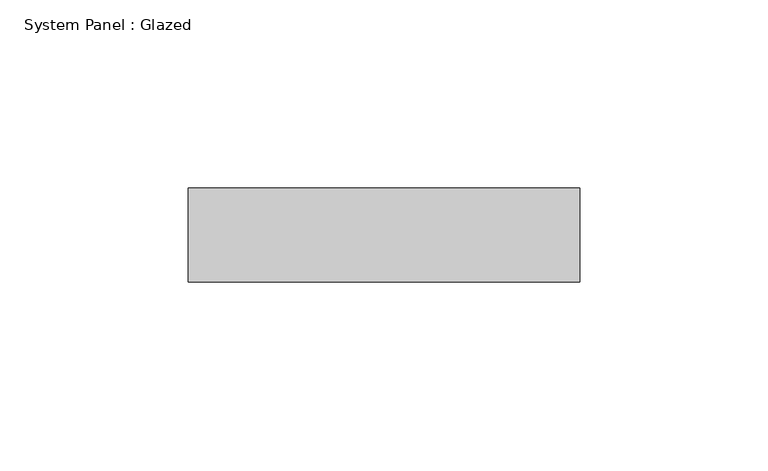
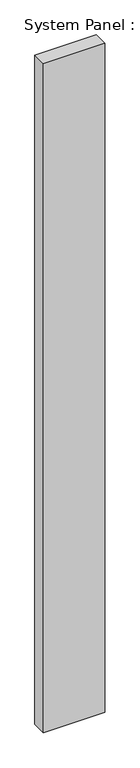
"""IFC4 building model written with IfcOpenShell, lengths in millimetres: plate geometry, System Panel : Glazed."""

import ifcopenshell
import ifcopenshell.guid

model = None  # the IFC model being written
_history = None  # IfcOwnerHistory: only IFC2X3 demands one
_inside = {}  # id of a spatial element -> (the spatial element, [elements in it])
_under = {}  # id of a project, library or spatial element -> (it, [spatial elements below it])
_declared = {}  # id of a project -> (the project, [libraries it declares])
_typed = {}  # id of a type object -> (the type object, [elements of that type])
_made_of = {}  # id of a material, layer set ... -> (it, [elements and type objects made of it])


def new_model(schema):
    """Start an empty IFC model of exactly this schema.

    Asked for "IFC4X3", IfcOpenShell would pick the latest addendum, in which some entities
    have other attributes; the version numbers below select the first issue.
    IFC2X3 requires an IfcOwnerHistory on every rooted entity: one is made here for all.
    """
    global model, _history
    if schema == "IFC4X3":
        model = ifcopenshell.file(schema_version=(4, 3, 0, 0))
    else:
        model = ifcopenshell.file(schema=schema)
    _inside.clear()
    _under.clear()
    _declared.clear()
    _typed.clear()
    _made_of.clear()
    _history = None
    if model.schema == "IFC2X3":
        org = make("IfcOrganization", Name="unknown")
        user = make(
            "IfcPersonAndOrganization",
            ThePerson=make("IfcPerson", FamilyName="unknown"),
            TheOrganization=org,
        )
        app = make(
            "IfcApplication",
            ApplicationDeveloper=org,
            Version="unknown",
            ApplicationFullName="unknown",
            ApplicationIdentifier="unknown",
        )
        _history = make(
            "IfcOwnerHistory",
            OwningUser=user,
            OwningApplication=app,
            ChangeAction="ADDED",
            CreationDate=0,
        )
    return model


def make(cls, **values):
    """One entity of the class cls with the attributes given. An attribute that is None is left unset."""
    return model.create_entity(
        cls, **{name: value for name, value in values.items() if value is not None}
    )


def rooted(cls, **values):
    """An entity with a GlobalId (a new one), such as an element, a storey or a relation."""
    return make(cls, GlobalId=ifcopenshell.guid.new(), OwnerHistory=_history, **values)


def si_unit(unit_type, name, prefix=None):
    """IfcSIUnit, for example si_unit("LENGTHUNIT", "METRE", prefix="MILLI")."""
    return make("IfcSIUnit", UnitType=unit_type, Prefix=prefix, Name=name)


def assignment(units):
    """IfcUnitAssignment: the units of a project."""
    return None if units is None else make("IfcUnitAssignment", Units=units)


def point(xyz):
    """IfcCartesianPoint."""
    return None if xyz is None else make("IfcCartesianPoint", Coordinates=xyz)


def direction(xyz):
    """IfcDirection."""
    return None if xyz is None else make("IfcDirection", DirectionRatios=xyz)


def frame(location, z_axis=None, x_axis=None):
    """IfcAxis2Placement3D, a coordinate frame: its origin and axes. An axis left out is left unset."""
    return make(
        "IfcAxis2Placement3D",
        Location=point(location),
        Axis=direction(z_axis),
        RefDirection=direction(x_axis),
    )


def origin():
    """The frame at (0, 0, 0) with its axes left unset."""
    return frame((0.0, 0.0, 0.0))


def origin_with_axes():
    """The frame at (0, 0, 0) with the z axis (0, 0, 1) and the x axis (1, 0, 0) written out."""
    return frame((0.0, 0.0, 0.0), z_axis=(0.0, 0.0, 1.0), x_axis=(1.0, 0.0, 0.0))


def place(relative_to, where):
    """IfcLocalPlacement: puts the frame where relative to a parent placement (None: the world)."""
    return make(
        "IfcLocalPlacement", PlacementRelTo=relative_to, RelativePlacement=where
    )


def context(
    kind, dimensions, precision=None, world=None, true_north=None, identifier=None
):
    """IfcGeometricRepresentationContext, for example the 3D "Model" context."""
    return make(
        "IfcGeometricRepresentationContext",
        ContextIdentifier=identifier,
        ContextType=kind,
        CoordinateSpaceDimension=dimensions,
        Precision=precision,
        WorldCoordinateSystem=world,
        TrueNorth=true_north,
    )


def project(units=None, contexts=None):
    """IfcProject with its units and contexts."""
    return rooted(
        "IfcProject",
        Name="project",
        RepresentationContexts=contexts,
        UnitsInContext=assignment(units),
    )


def spatial(cls, under=None, at=None, **own):
    """A site, building, storey or space (cls), placed at a placement, below another one or the project."""
    s = rooted(cls, ObjectPlacement=at, **own)
    if under is not None:
        _under.setdefault(under.id(), (under, []))[1].append(s)
    return s


def polyline(points):
    """IfcPolyline through the points."""
    return make("IfcPolyline", Points=[point(p) for p in points])


def outline(outer, holes=None, kind="AREA"):
    """IfcArbitraryClosedProfileDef: a profile drawn as a closed curve; with holes, ...WithVoids."""
    if holes is None:
        return make("IfcArbitraryClosedProfileDef", ProfileType=kind, OuterCurve=outer)
    return make(
        "IfcArbitraryProfileDefWithVoids",
        ProfileType=kind,
        OuterCurve=outer,
        InnerCurves=holes,
    )


def extrude(swept, where, along, depth):
    """IfcExtrudedAreaSolid: the profile swept, set in the frame where, extruded along a direction by depth."""
    return make(
        "IfcExtrudedAreaSolid",
        SweptArea=swept,
        Position=where,
        ExtrudedDirection=direction(along),
        Depth=depth,
    )


def shape(context_of_items, identifier, shape_type, items):
    """IfcShapeRepresentation: the items that make up one representation, for example the "Body"."""
    return make(
        "IfcShapeRepresentation",
        ContextOfItems=context_of_items,
        RepresentationIdentifier=identifier,
        RepresentationType=shape_type,
        Items=items,
    )


def source(mapping_origin, context_of_items, identifier, shape_type, items):
    """IfcRepresentationMap: a shape defined once, which mapped items show again and again."""
    return make(
        "IfcRepresentationMap",
        MappingOrigin=mapping_origin,
        MappedRepresentation=shape(context_of_items, identifier, shape_type, items),
    )


def transform(
    local_origin,
    x_axis=None,
    y_axis=None,
    z_axis=None,
    scale=None,
    scale2=None,
    scale3=None,
    uniform=True,
):
    """IfcCartesianTransformationOperator3D, or its non-uniform kind. x_axis, y_axis, z_axis: its Axis1, 2, 3."""
    if uniform:
        return make(
            "IfcCartesianTransformationOperator3D",
            Axis1=direction(x_axis),
            Axis2=direction(y_axis),
            LocalOrigin=point(local_origin),
            Scale=scale,
            Axis3=direction(z_axis),
        )
    return make(
        "IfcCartesianTransformationOperator3DnonUniform",
        Axis1=direction(x_axis),
        Axis2=direction(y_axis),
        LocalOrigin=point(local_origin),
        Scale=scale,
        Axis3=direction(z_axis),
        Scale2=scale2,
        Scale3=scale3,
    )


def mapped(mapping_source, mapping_target):
    """IfcMappedItem: shows the shape of a source again, moved by a transform."""
    return make(
        "IfcMappedItem", MappingSource=mapping_source, MappingTarget=mapping_target
    )


def made_of(thing, what):
    """Note that an element or type object is made of a material, layer set ...; save() writes the relation."""
    if what is not None:
        _made_of.setdefault(what.id(), (what, []))[1].append(thing)
    return thing


def element(
    cls,
    number,
    at=None,
    inside=None,
    cuts=None,
    type_object=None,
    material=None,
    context=None,
    identifier="Body",
    shape_type=None,
    held_by="IfcProductDefinitionShape",
    body=None,
    shapes=None,
    **own,
):
    """One element of the class cls, such as IfcWall. Its Tag is "e" and its number.

    at: its placement. inside: the storey or other place that contains it. cuts: it is an
    opening in that element (IfcRelVoidsElement). A single representation is given by context,
    identifier, shape_type and body (its items); several are given by shapes. held_by: the class
    of the entity that holds the representations. save() writes the other relations.
    """
    e = rooted(cls, Tag="e%d" % number, ObjectPlacement=at, **own)
    if body is not None:
        shapes = [shape(context, identifier, shape_type, body)]
    if shapes is not None:
        e.Representation = make(held_by, Representations=shapes)
    if inside is not None:
        _inside.setdefault(inside.id(), (inside, []))[1].append(e)
    if cuts is not None:
        rooted(
            "IfcRelVoidsElement", RelatingBuildingElement=cuts, RelatedOpeningElement=e
        )
    if type_object is not None:
        _typed.setdefault(type_object.id(), (type_object, []))[1].append(e)
    return made_of(e, material)


def aggregate(whole, parts):
    """IfcRelAggregates: a whole, such as a stair, and the parts it consists of."""
    return rooted("IfcRelAggregates", RelatingObject=whole, RelatedObjects=parts)


def save(model, path):
    """Write the relations noted so far, then the file.

    IfcRelAggregates (storeys below a building ...), IfcRelContainedInSpatialStructure (elements
    in a storey), IfcRelDefinesByType, IfcRelAssociatesMaterial and IfcRelDeclares: one each for
    every whole, place, type object, material and project.
    """
    for whole, parts in _under.values():
        aggregate(whole, parts)
    for where, things in _inside.values():
        rooted(
            "IfcRelContainedInSpatialStructure",
            RelatedElements=things,
            RelatingStructure=where,
        )
    for kind, things in _typed.values():
        rooted("IfcRelDefinesByType", RelatedObjects=things, RelatingType=kind)
    for what, things in _made_of.values():
        rooted("IfcRelAssociatesMaterial", RelatedObjects=things, RelatingMaterial=what)
    for by, libraries in _declared.values():
        rooted("IfcRelDeclares", RelatingContext=by, RelatedDefinitions=libraries)
    model.write(path)


def system_panel_glazed_78e5d74c(model_context):
    return source(origin(), model_context, "Body", "SweptSolid", [
        extrude(outline(polyline([(52.0, 24.5), (-52.0, 24.5), (-52.0, 49.5), (52.0, 49.5), (52.0, 24.5)])), origin_with_axes(), (0.0, 0.0, 1.0), 1200.0),
    ])


if __name__ == "__main__":
    model = new_model("IFC4")
    model_context = context("Model", 3, world=origin())
    ifc_project = project(units=[si_unit("LENGTHUNIT", "METRE", prefix="MILLI")], contexts=[model_context])
    site = spatial("IfcSite", under=ifc_project)
    building = spatial("IfcBuilding", under=site)
    placement = place(None, origin())
    system_panel_glazed_shape = system_panel_glazed_78e5d74c(model_context)
    element("IfcPlate", 1, ObjectType="System Panel : Glazed", at=placement, inside=building, context=model_context, shape_type="MappedRepresentation", body=[
        mapped(system_panel_glazed_shape, transform((0.0, 0.0, 0.0), x_axis=(1.0, 0.0, 0.0), y_axis=(0.0, 1.0, 0.0), z_axis=(0.0, 0.0, 1.0))),
    ])
    save(model, "model.ifc")
